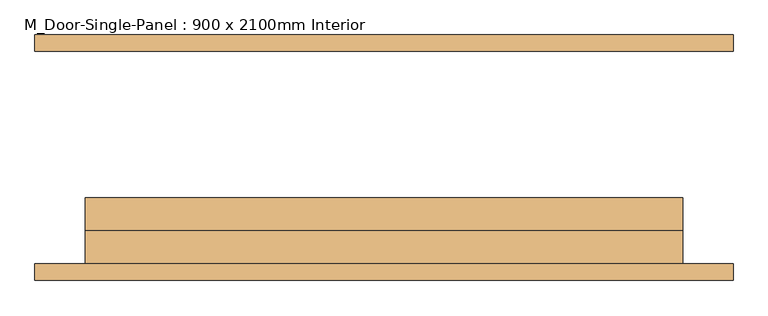
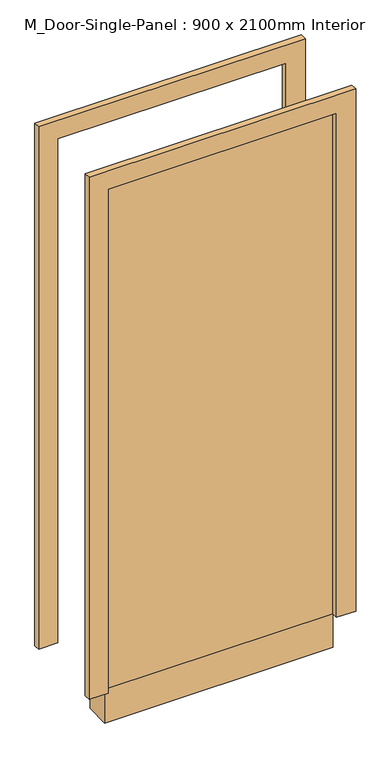
"""IFC4 building model written with IfcOpenShell, lengths in millimetres: door geometry, M_Door-Single-Panel : 900 x 2100mm Interior."""

from ifc_helpers import new_model, si_unit, frame, origin, origin_with_axes, place, context, project, spatial, polyline, outline, extrude, source, transform, mapped, element, save


def m_door_single_panel_900_x_2100mm_interior_709ae0f7(model_context):
    return source(origin(), model_context, "Body", "SweptSolid", [
        extrude(outline(polyline([(450.0, -110.0), (450.0, -160.0), (-450.0, -160.0), (-450.0, -110.0), (450.0, -110.0)])), origin_with_axes(), (0.0, 0.0, 1.0), 2100.0),
        extrude(outline(polyline([(2176.2, -526.2), (0.0, -526.2), (0.0, -450.0), (2100.0, -450.0), (2100.0, 450.0), (0.0, 450.0), (0.0, 526.2), (2176.2, 526.2), (2176.2, -526.2)])), frame((0.0, -185.0, 0.0), z_axis=(0.0, 1.0, 0.0), x_axis=(0.0, 0.0, 1.0)), (0.0, 0.0, 1.0), 25.0),
        extrude(outline(polyline([(2176.2, 526.2), (2176.2, -526.2), (0.0, -526.2), (0.0, -450.0), (2100.0, -450.0), (2100.0, 450.0), (0.0, 450.0), (0.0, 526.2), (2176.2, 526.2)])), frame((0.0, 160.0, 0.0), z_axis=(0.0, 1.0, 0.0), x_axis=(0.0, 0.0, 1.0)), (0.0, 0.0, 1.0), 25.0),
        extrude(outline(polyline([(450.0, -160.0), (-450.0, -160.0), (-450.0, -60.0), (450.0, -60.0), (450.0, -160.0)])), frame((0.0, 0.0, -140.0), z_axis=(0.0, 0.0, 1.0), x_axis=(1.0, 0.0, 0.0)), (0.0, 0.0, 1.0), 140.0),
    ])


if __name__ == "__main__":
    model = new_model("IFC4")
    model_context = context("Model", 3, world=origin())
    ifc_project = project(units=[si_unit("LENGTHUNIT", "METRE", prefix="MILLI")], contexts=[model_context])
    site = spatial("IfcSite", under=ifc_project)
    building = spatial("IfcBuilding", under=site)
    placement = place(None, origin())
    m_door_single_panel_900_x_2100mm_interior_shape = m_door_single_panel_900_x_2100mm_interior_709ae0f7(model_context)
    element("IfcDoor", 1, ObjectType="M_Door-Single-Panel : 900 x 2100mm Interior", at=placement, inside=building, context=model_context, shape_type="MappedRepresentation", body=[
        mapped(m_door_single_panel_900_x_2100mm_interior_shape, transform((0.0, 0.0, 0.0), x_axis=(1.0, 0.0, 0.0), y_axis=(0.0, 1.0, 0.0), z_axis=(0.0, 0.0, 1.0))),
    ])
    save(model, "model.ifc")
